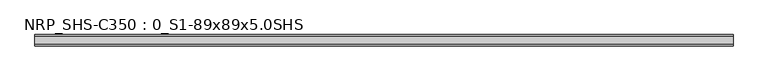
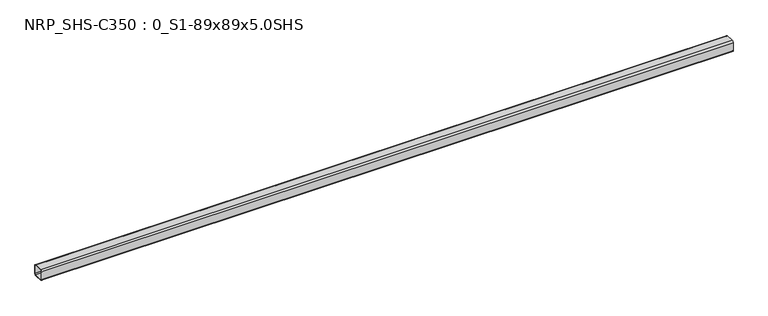
"""IFC4 building model written with IfcOpenShell, lengths in millimetres: beam geometry, NRP_SHS-C350 : 0_S1-89x89x5.0SHS."""

from ifc_helpers import new_model, si_unit, point, frame, frame_2d, origin, place, context, project, spatial, polyline, circle_curve, trimmed, segment, composite_curve, outline, extrude, source, transform, mapped, element, save


def nrp_shs_c350_0_s1_89x89x5_0shs_c2930912(model_context):
    return source(origin(), model_context, "Body", "SweptSolid", [
        extrude(outline(composite_curve([segment(trimmed(circle_curve(frame_2d((-32.0, 32.0)), 12.5), [point((-44.5, 32.0))], [point((-32.0, 44.5))], False, "CARTESIAN"), True, "CONTINUOUS"), segment(polyline([(-32.0, 44.5), (32.0, 44.5)]), True, "CONTINUOUS"), segment(trimmed(circle_curve(frame_2d((32.0, 32.0)), 12.5), [point((32.0, 44.5))], [point((44.5, 32.0))], False, "CARTESIAN"), True, "CONTINUOUS"), segment(polyline([(44.5, 32.0), (44.5, -32.0)]), True, "CONTINUOUS"), segment(trimmed(circle_curve(frame_2d((32.0, -32.0)), 12.5), [point((44.5, -32.0))], [point((32.0, -44.5))], False, "CARTESIAN"), True, "CONTINUOUS"), segment(polyline([(32.0, -44.5), (-32.0, -44.5)]), True, "CONTINUOUS"), segment(trimmed(circle_curve(frame_2d((-32.0, -32.0)), 12.5), [point((-32.0, -44.5))], [point((-44.5, -32.0))], False, "CARTESIAN"), True, "CONTINUOUS"), segment(polyline([(-44.5, -32.0), (-44.5, 32.0)]), True, "CONTINUOUS")], self_intersect=False), holes=[composite_curve([segment(polyline([(32.0, 39.5), (-32.0, 39.5)]), True, "CONTINUOUS"), segment(trimmed(circle_curve(frame_2d((-32.0, 32.0)), 7.5), [point((-32.0, 39.5))], [point((-39.5, 32.0))], True, "CARTESIAN"), True, "CONTINUOUS"), segment(polyline([(-39.5, 32.0), (-39.5, -32.0)]), True, "CONTINUOUS"), segment(trimmed(circle_curve(frame_2d((-32.0, -32.0)), 7.5), [point((-39.5, -32.0))], [point((-32.0, -39.5))], True, "CARTESIAN"), True, "CONTINUOUS"), segment(polyline([(-32.0, -39.5), (32.0, -39.5)]), True, "CONTINUOUS"), segment(trimmed(circle_curve(frame_2d((32.0, -32.0)), 7.5), [point((32.0, -39.5))], [point((39.5, -32.0))], True, "CARTESIAN"), True, "CONTINUOUS"), segment(polyline([(39.5, -32.0), (39.5, 32.0)]), True, "CONTINUOUS"), segment(trimmed(circle_curve(frame_2d((32.0, 32.0)), 7.5), [point((39.5, 32.0))], [point((32.0, 39.5))], True, "CARTESIAN"), True, "CONTINUOUS")], self_intersect=False)]), frame((-2672.5, 0.0, 0.0), z_axis=(1.0, 0.0, 0.0), x_axis=(0.0, 1.0, 0.0)), (0.0, 0.0, 1.0), 5463.0),
    ])


if __name__ == "__main__":
    model = new_model("IFC4")
    model_context = context("Model", 3, world=origin())
    ifc_project = project(units=[si_unit("LENGTHUNIT", "METRE", prefix="MILLI")], contexts=[model_context])
    site = spatial("IfcSite", under=ifc_project)
    building = spatial("IfcBuilding", under=site)
    placement = place(None, origin())
    nrp_shs_c350_0_s1_89x89x5_0shs_shape = nrp_shs_c350_0_s1_89x89x5_0shs_c2930912(model_context)
    element("IfcBeam", 1, ObjectType="NRP_SHS-C350 : 0_S1-89x89x5.0SHS", at=placement, inside=building, context=model_context, shape_type="MappedRepresentation", body=[
        mapped(nrp_shs_c350_0_s1_89x89x5_0shs_shape, transform((0.0, 0.0, 0.0), x_axis=(1.0, 0.0, 0.0), y_axis=(0.0, 1.0, 0.0), z_axis=(0.0, 0.0, 1.0))),
    ])
    save(model, "model.ifc")
